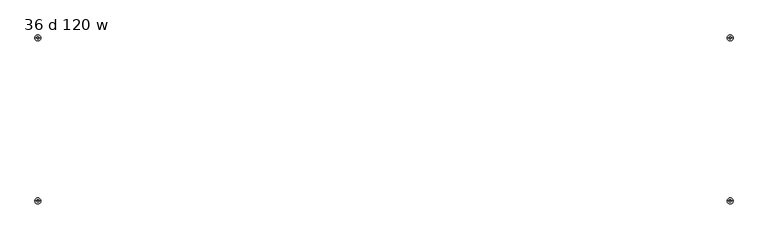
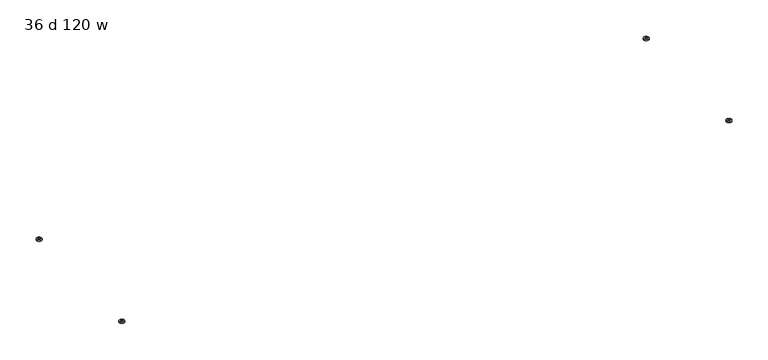
"""IFC4 building model written with IfcOpenShell, lengths in millimetres: furniture geometry, 36 d 120 w."""

from ifc_helpers import new_model, si_unit, point, frame, origin, place, context, project, spatial, circle_curve, ellipse_curve, trimmed, source, transform, mapped, element, save
from ifc_brep_helpers import plane_surface, cylinder_surface, revolved_surface, advanced_brep


def furniture_36_d_120_w_454df19e(model_context):
    return source(origin(), model_context, "Body", "AdvancedBrep", [
        advanced_brep(
        [(-1453.3322731, -343.6439953, 0.0), (-1458.4112333, -343.6439953, 0.0), (-1455.8717532, -343.6439953, 0.0), (-1443.174498, -343.6439953, 3.6684262), (-1468.5690084, -343.6439953, 3.6684262), (-1443.174498, -343.6439953, 7.8731999), (-1468.5690084, -343.6439953, 7.8731999), (-1451.1120222, -343.6439953, 7.8731999), (-1460.6314842, -343.6439953, 7.8731999), (-1451.1120222, -343.6439953, 12.2237497), (-1460.6314842, -343.6439953, 12.2237497), (-1455.8717532, -343.6439953, 12.2237497)],
        [
            (0, 1, circle_curve(frame((-1455.8717532, -343.6439953, 0.0), z_axis=(0.0, 0.0, -1.0), x_axis=(-1.0, 0.0, 0.0)), 2.5394801)),
            (1, 2),
            (2, 0),
            (1, 0, circle_curve(frame((-1455.8717532, -343.6439953, 0.0), z_axis=(0.0, 0.0, -1.0), x_axis=(-1.0, 0.0, 0.0)), 2.5394801)),
            (0, 3, circle_curve(frame((-1453.3322731, -343.6439953, 15.8975186), z_axis=(0.0, -1.0, 0.0), x_axis=(1.0, 0.0, 0.0)), 15.8975186)),
            (3, 4, circle_curve(frame((-1455.8717532, -343.6439953, 3.6684262), z_axis=(0.0, 0.0, -1.0), x_axis=(-1.0, 0.0, 0.0)), 12.6972552)),
            (4, 1, circle_curve(frame((-1458.4112333, -343.6439953, 15.8975186), z_axis=(0.0, -1.0, 0.0), x_axis=(-1.0, 0.0, 0.0)), 15.8975186)),
            (4, 3, circle_curve(frame((-1455.8717532, -343.6439953, 3.6684262), z_axis=(0.0, 0.0, -1.0), x_axis=(-1.0, 0.0, 0.0)), 12.6972552)),
            (3, 5),
            (5, 6, circle_curve(frame((-1455.8717532, -343.6439953, 7.8731999), z_axis=(0.0, 0.0, -1.0), x_axis=(-1.0, 0.0, 0.0)), 12.6972552)),
            (6, 4),
            (6, 5, circle_curve(frame((-1455.8717532, -343.6439953, 7.8731999), z_axis=(0.0, 0.0, -1.0), x_axis=(-1.0, 0.0, 0.0)), 12.6972552)),
            (5, 7),
            (7, 8, circle_curve(frame((-1455.8717532, -343.6439953, 7.8731999), z_axis=(0.0, 0.0, -1.0), x_axis=(-1.0, 0.0, 0.0)), 4.759731)),
            (8, 6),
            (8, 7, circle_curve(frame((-1455.8717532, -343.6439953, 7.8731999), z_axis=(0.0, 0.0, -1.0), x_axis=(-1.0, 0.0, 0.0)), 4.759731)),
            (7, 9),
            (9, 10, circle_curve(frame((-1455.8717532, -343.6439953, 12.2237497), z_axis=(0.0, 0.0, -1.0), x_axis=(-1.0, 0.0, 0.0)), 4.759731)),
            (10, 8),
            (10, 9, circle_curve(frame((-1455.8717532, -343.6439953, 12.2237497), z_axis=(0.0, 0.0, -1.0), x_axis=(-1.0, 0.0, 0.0)), 4.759731)),
            (9, 11),
            (11, 10),
        ],
        [
            plane_surface(frame((-1455.8717532, -343.6439953, 0.0), z_axis=(0.0, 0.0, -1.0), x_axis=(-1.0, 0.0, 0.0))),
            revolved_surface(trimmed(ellipse_curve(frame((-1458.4112333, -343.6439953, 15.8975186), z_axis=(0.0, 1.0, 0.0), x_axis=(-1.0, 0.0, 0.0)), 15.8975186, 15.8975186), [point((-1458.4112333, -343.6439953, 0.0))], [point((-1468.5690084, -343.6439953, 3.6684262))], True, "CARTESIAN"), (-1455.8717532, -343.6439953, 12.2237497), (0.0, 0.0, 1.0)),
            cylinder_surface(frame((-1455.8717532, -343.6439953, 12.2237497), z_axis=(0.0, 0.0, 1.0), x_axis=(-1.0, 0.0, 0.0)), 12.6972552),
            plane_surface(frame((-1455.8717532, -343.6439953, 7.8731999), z_axis=(0.0, 0.0, 1.0), x_axis=(-1.0, 0.0, 0.0))),
            cylinder_surface(frame((-1455.8717532, -343.6439953, 12.2237497), z_axis=(0.0, 0.0, 1.0), x_axis=(-1.0, 0.0, 0.0)), 4.759731),
            plane_surface(frame((-1455.8717532, -343.6439953, 12.2237497), z_axis=(0.0, 0.0, 1.0), x_axis=(-1.0, 0.0, 0.0))),
        ],
        [
            (0, [[1, 2, 3]]),
            (0, [[-2, 4, -3]]),
            (1, [[-1, 5, 6, 7]]),
            (1, [[-4, -7, 8, -5]]),
            (2, [[-6, 9, 10, 11]]),
            (2, [[-8, -11, 12, -9]]),
            (3, [[-10, 13, 14, 15]]),
            (3, [[-12, -15, 16, -13]]),
            (4, [[-14, 17, 18, 19]]),
            (4, [[-16, -19, 20, -17]]),
            (5, [[-18, 21, 22]]),
            (5, [[-20, -22, -21]]),
        ],
    ),
        advanced_brep(
        [(-1455.8717532, 343.6439953, 0.0), (-1458.4112333, 343.6439953, 0.0), (-1453.3322731, 343.6439953, 0.0), (-1468.5690084, 343.6439953, 3.6684262), (-1443.174498, 343.6439953, 3.6684262), (-1468.5690084, 343.6439953, 7.8731999), (-1443.174498, 343.6439953, 7.8731999), (-1460.6314842, 343.6439953, 7.8731999), (-1451.1120222, 343.6439953, 7.8731999), (-1460.6314842, 343.6439953, 12.2237497), (-1451.1120222, 343.6439953, 12.2237497), (-1455.8717532, 343.6439953, 12.2237497)],
        [
            (0, 1),
            (1, 2, circle_curve(frame((-1455.8717532, 343.6439953, 0.0), z_axis=(0.0, 0.0, -1.0), x_axis=(-1.0, 0.0, 0.0)), 2.5394801)),
            (2, 0),
            (2, 1, circle_curve(frame((-1455.8717532, 343.6439953, 0.0), z_axis=(0.0, 0.0, -1.0), x_axis=(-1.0, 0.0, 0.0)), 2.5394801)),
            (1, 3, circle_curve(frame((-1458.4112333, 343.6439953, 15.8975186), z_axis=(0.0, 1.0, 0.0), x_axis=(-1.0, 0.0, 0.0)), 15.8975186)),
            (3, 4, circle_curve(frame((-1455.8717532, 343.6439953, 3.6684262), z_axis=(0.0, 0.0, -1.0), x_axis=(-1.0, 0.0, 0.0)), 12.6972552)),
            (4, 2, circle_curve(frame((-1453.3322731, 343.6439953, 15.8975186), z_axis=(0.0, 1.0, 0.0), x_axis=(1.0, 0.0, 0.0)), 15.8975186)),
            (4, 3, circle_curve(frame((-1455.8717532, 343.6439953, 3.6684262), z_axis=(0.0, 0.0, -1.0), x_axis=(-1.0, 0.0, 0.0)), 12.6972552)),
            (3, 5),
            (5, 6, circle_curve(frame((-1455.8717532, 343.6439953, 7.8731999), z_axis=(0.0, 0.0, -1.0), x_axis=(-1.0, 0.0, 0.0)), 12.6972552)),
            (6, 4),
            (6, 5, circle_curve(frame((-1455.8717532, 343.6439953, 7.8731999), z_axis=(0.0, 0.0, -1.0), x_axis=(-1.0, 0.0, 0.0)), 12.6972552)),
            (5, 7),
            (7, 8, circle_curve(frame((-1455.8717532, 343.6439953, 7.8731999), z_axis=(0.0, 0.0, -1.0), x_axis=(-1.0, 0.0, 0.0)), 4.759731)),
            (8, 6),
            (8, 7, circle_curve(frame((-1455.8717532, 343.6439953, 7.8731999), z_axis=(0.0, 0.0, -1.0), x_axis=(-1.0, 0.0, 0.0)), 4.759731)),
            (7, 9),
            (9, 10, circle_curve(frame((-1455.8717532, 343.6439953, 12.2237497), z_axis=(0.0, 0.0, -1.0), x_axis=(-1.0, 0.0, 0.0)), 4.759731)),
            (10, 8),
            (10, 9, circle_curve(frame((-1455.8717532, 343.6439953, 12.2237497), z_axis=(0.0, 0.0, -1.0), x_axis=(-1.0, 0.0, 0.0)), 4.759731)),
            (9, 11),
            (11, 10),
        ],
        [
            plane_surface(frame((-1455.8717532, 343.6439953, 0.0), z_axis=(0.0, 0.0, -1.0), x_axis=(-1.0, 0.0, 0.0))),
            revolved_surface(trimmed(ellipse_curve(frame((-1458.4112333, 343.6439953, 15.8975186), z_axis=(0.0, -1.0, 0.0), x_axis=(-1.0, 0.0, 0.0)), 15.8975186, 15.8975186), [point((-1468.5690084, 343.6439953, 3.6684262))], [point((-1458.4112333, 343.6439953, 0.0))], True, "CARTESIAN"), (-1455.8717532, 343.6439953, 12.2237497), (0.0, 0.0, -1.0)),
            cylinder_surface(frame((-1455.8717532, 343.6439953, 12.2237497), z_axis=(0.0, 0.0, -1.0), x_axis=(-1.0, 0.0, 0.0)), 12.6972552),
            plane_surface(frame((-1455.8717532, 343.6439953, 7.8731999), z_axis=(0.0, 0.0, 1.0), x_axis=(-1.0, 0.0, 0.0))),
            cylinder_surface(frame((-1455.8717532, 343.6439953, 12.2237497), z_axis=(0.0, 0.0, -1.0), x_axis=(-1.0, 0.0, 0.0)), 4.759731),
            plane_surface(frame((-1455.8717532, 343.6439953, 12.2237497), z_axis=(0.0, 0.0, 1.0), x_axis=(-1.0, 0.0, 0.0))),
        ],
        [
            (0, [[1, 2, 3]]),
            (0, [[-1, -3, 4]]),
            (1, [[-2, 5, 6, 7]]),
            (1, [[-4, -7, 8, -5]]),
            (2, [[-6, 9, 10, 11]]),
            (2, [[-8, -11, 12, -9]]),
            (3, [[-10, 13, 14, 15]]),
            (3, [[-12, -15, 16, -13]]),
            (4, [[-14, 17, 18, 19]]),
            (4, [[-16, -19, 20, -17]]),
            (5, [[-18, 21, 22]]),
            (5, [[-20, -22, -21]]),
        ],
    ),
        advanced_brep(
        [(1455.8717532, -343.6439953, 0.0), (1458.4112333, -343.6439953, 0.0), (1453.3322731, -343.6439953, 0.0), (1468.5690084, -343.6439953, 3.6684262), (1443.174498, -343.6439953, 3.6684262), (1468.5690084, -343.6439953, 7.8731999), (1443.174498, -343.6439953, 7.8731999), (1460.6314842, -343.6439953, 7.8731999), (1451.1120222, -343.6439953, 7.8731999), (1460.6314842, -343.6439953, 12.2237497), (1451.1120222, -343.6439953, 12.2237497), (1455.8717532, -343.6439953, 12.2237497)],
        [
            (0, 1),
            (1, 2, circle_curve(frame((1455.8717532, -343.6439953, 0.0), z_axis=(0.0, 0.0, -1.0), x_axis=(1.0, 0.0, 0.0)), 2.5394801)),
            (2, 0),
            (2, 1, circle_curve(frame((1455.8717532, -343.6439953, 0.0), z_axis=(0.0, 0.0, -1.0), x_axis=(1.0, 0.0, 0.0)), 2.5394801)),
            (1, 3, circle_curve(frame((1458.4112333, -343.6439953, 15.8975186), z_axis=(0.0, -1.0, 0.0), x_axis=(-1.0, 0.0, 0.0)), 15.8975186)),
            (3, 4, circle_curve(frame((1455.8717532, -343.6439953, 3.6684262), z_axis=(0.0, 0.0, -1.0), x_axis=(1.0, 0.0, 0.0)), 12.6972552)),
            (4, 2, circle_curve(frame((1453.3322731, -343.6439953, 15.8975186), z_axis=(0.0, -1.0, 0.0), x_axis=(1.0, 0.0, 0.0)), 15.8975186)),
            (4, 3, circle_curve(frame((1455.8717532, -343.6439953, 3.6684262), z_axis=(0.0, 0.0, -1.0), x_axis=(1.0, 0.0, 0.0)), 12.6972552)),
            (3, 5),
            (5, 6, circle_curve(frame((1455.8717532, -343.6439953, 7.8731999), z_axis=(0.0, 0.0, -1.0), x_axis=(1.0, 0.0, 0.0)), 12.6972552)),
            (6, 4),
            (6, 5, circle_curve(frame((1455.8717532, -343.6439953, 7.8731999), z_axis=(0.0, 0.0, -1.0), x_axis=(1.0, 0.0, 0.0)), 12.6972552)),
            (5, 7),
            (7, 8, circle_curve(frame((1455.8717532, -343.6439953, 7.8731999), z_axis=(0.0, 0.0, -1.0), x_axis=(1.0, 0.0, 0.0)), 4.759731)),
            (8, 6),
            (8, 7, circle_curve(frame((1455.8717532, -343.6439953, 7.8731999), z_axis=(0.0, 0.0, -1.0), x_axis=(1.0, 0.0, 0.0)), 4.759731)),
            (7, 9),
            (9, 10, circle_curve(frame((1455.8717532, -343.6439953, 12.2237497), z_axis=(0.0, 0.0, -1.0), x_axis=(1.0, 0.0, 0.0)), 4.759731)),
            (10, 8),
            (10, 9, circle_curve(frame((1455.8717532, -343.6439953, 12.2237497), z_axis=(0.0, 0.0, -1.0), x_axis=(1.0, 0.0, 0.0)), 4.759731)),
            (9, 11),
            (11, 10),
        ],
        [
            plane_surface(frame((1455.8717532, -343.6439953, 0.0), z_axis=(0.0, 0.0, -1.0), x_axis=(1.0, 0.0, 0.0))),
            revolved_surface(trimmed(ellipse_curve(frame((1458.4112333, -343.6439953, 15.8975186), z_axis=(0.0, 1.0, 0.0), x_axis=(-1.0, 0.0, 0.0)), 15.8975186, 15.8975186), [point((1468.5690084, -343.6439953, 3.6684262))], [point((1458.4112333, -343.6439953, 0.0))], True, "CARTESIAN"), (1455.8717532, -343.6439953, 12.2237497), (0.0, 0.0, -1.0)),
            cylinder_surface(frame((1455.8717532, -343.6439953, 12.2237497), z_axis=(0.0, 0.0, -1.0), x_axis=(1.0, 0.0, 0.0)), 12.6972552),
            plane_surface(frame((1455.8717532, -343.6439953, 7.8731999), z_axis=(0.0, 0.0, 1.0), x_axis=(1.0, 0.0, 0.0))),
            cylinder_surface(frame((1455.8717532, -343.6439953, 12.2237497), z_axis=(0.0, 0.0, -1.0), x_axis=(1.0, 0.0, 0.0)), 4.759731),
            plane_surface(frame((1455.8717532, -343.6439953, 12.2237497), z_axis=(0.0, 0.0, 1.0), x_axis=(1.0, 0.0, 0.0))),
        ],
        [
            (0, [[1, 2, 3]]),
            (0, [[-1, -3, 4]]),
            (1, [[-2, 5, 6, 7]]),
            (1, [[-4, -7, 8, -5]]),
            (2, [[-6, 9, 10, 11]]),
            (2, [[-8, -11, 12, -9]]),
            (3, [[-10, 13, 14, 15]]),
            (3, [[-12, -15, 16, -13]]),
            (4, [[-14, 17, 18, 19]]),
            (4, [[-16, -19, 20, -17]]),
            (5, [[-18, 21, 22]]),
            (5, [[-20, -22, -21]]),
        ],
    ),
        advanced_brep(
        [(1453.3322731, 343.6439953, 0.0), (1458.4112333, 343.6439953, 0.0), (1455.8717532, 343.6439953, 0.0), (1443.174498, 343.6439953, 3.6684262), (1468.5690084, 343.6439953, 3.6684262), (1443.174498, 343.6439953, 7.8731999), (1468.5690084, 343.6439953, 7.8731999), (1451.1120222, 343.6439953, 7.8731999), (1460.6314842, 343.6439953, 7.8731999), (1451.1120222, 343.6439953, 12.2237497), (1460.6314842, 343.6439953, 12.2237497), (1455.8717532, 343.6439953, 12.2237497)],
        [
            (0, 1, circle_curve(frame((1455.8717532, 343.6439953, 0.0), z_axis=(0.0, 0.0, -1.0), x_axis=(1.0, 0.0, 0.0)), 2.5394801)),
            (1, 2),
            (2, 0),
            (1, 0, circle_curve(frame((1455.8717532, 343.6439953, 0.0), z_axis=(0.0, 0.0, -1.0), x_axis=(1.0, 0.0, 0.0)), 2.5394801)),
            (0, 3, circle_curve(frame((1453.3322731, 343.6439953, 15.8975186), z_axis=(0.0, 1.0, 0.0), x_axis=(1.0, 0.0, 0.0)), 15.8975186)),
            (3, 4, circle_curve(frame((1455.8717532, 343.6439953, 3.6684262), z_axis=(0.0, 0.0, -1.0), x_axis=(1.0, 0.0, 0.0)), 12.6972552)),
            (4, 1, circle_curve(frame((1458.4112333, 343.6439953, 15.8975186), z_axis=(0.0, 1.0, 0.0), x_axis=(-1.0, 0.0, 0.0)), 15.8975186)),
            (4, 3, circle_curve(frame((1455.8717532, 343.6439953, 3.6684262), z_axis=(0.0, 0.0, -1.0), x_axis=(1.0, 0.0, 0.0)), 12.6972552)),
            (3, 5),
            (5, 6, circle_curve(frame((1455.8717532, 343.6439953, 7.8731999), z_axis=(0.0, 0.0, -1.0), x_axis=(1.0, 0.0, 0.0)), 12.6972552)),
            (6, 4),
            (6, 5, circle_curve(frame((1455.8717532, 343.6439953, 7.8731999), z_axis=(0.0, 0.0, -1.0), x_axis=(1.0, 0.0, 0.0)), 12.6972552)),
            (5, 7),
            (7, 8, circle_curve(frame((1455.8717532, 343.6439953, 7.8731999), z_axis=(0.0, 0.0, -1.0), x_axis=(1.0, 0.0, 0.0)), 4.759731)),
            (8, 6),
            (8, 7, circle_curve(frame((1455.8717532, 343.6439953, 7.8731999), z_axis=(0.0, 0.0, -1.0), x_axis=(1.0, 0.0, 0.0)), 4.759731)),
            (7, 9),
            (9, 10, circle_curve(frame((1455.8717532, 343.6439953, 12.2237497), z_axis=(0.0, 0.0, -1.0), x_axis=(1.0, 0.0, 0.0)), 4.759731)),
            (10, 8),
            (10, 9, circle_curve(frame((1455.8717532, 343.6439953, 12.2237497), z_axis=(0.0, 0.0, -1.0), x_axis=(1.0, 0.0, 0.0)), 4.759731)),
            (9, 11),
            (11, 10),
        ],
        [
            plane_surface(frame((1455.8717532, 343.6439953, 0.0), z_axis=(0.0, 0.0, -1.0), x_axis=(1.0, 0.0, 0.0))),
            revolved_surface(trimmed(ellipse_curve(frame((1458.4112333, 343.6439953, 15.8975186), z_axis=(0.0, -1.0, 0.0), x_axis=(-1.0, 0.0, 0.0)), 15.8975186, 15.8975186), [point((1458.4112333, 343.6439953, 0.0))], [point((1468.5690084, 343.6439953, 3.6684262))], True, "CARTESIAN"), (1455.8717532, 343.6439953, 12.2237497), (0.0, 0.0, 1.0)),
            cylinder_surface(frame((1455.8717532, 343.6439953, 12.2237497), z_axis=(0.0, 0.0, 1.0), x_axis=(1.0, 0.0, 0.0)), 12.6972552),
            plane_surface(frame((1455.8717532, 343.6439953, 7.8731999), z_axis=(0.0, 0.0, 1.0), x_axis=(1.0, 0.0, 0.0))),
            cylinder_surface(frame((1455.8717532, 343.6439953, 12.2237497), z_axis=(0.0, 0.0, 1.0), x_axis=(1.0, 0.0, 0.0)), 4.759731),
            plane_surface(frame((1455.8717532, 343.6439953, 12.2237497), z_axis=(0.0, 0.0, 1.0), x_axis=(1.0, 0.0, 0.0))),
        ],
        [
            (0, [[1, 2, 3]]),
            (0, [[-2, 4, -3]]),
            (1, [[-1, 5, 6, 7]]),
            (1, [[-4, -7, 8, -5]]),
            (2, [[-6, 9, 10, 11]]),
            (2, [[-8, -11, 12, -9]]),
            (3, [[-10, 13, 14, 15]]),
            (3, [[-12, -15, 16, -13]]),
            (4, [[-14, 17, 18, 19]]),
            (4, [[-16, -19, 20, -17]]),
            (5, [[-18, 21, 22]]),
            (5, [[-20, -22, -21]]),
        ],
    ),
    ])


if __name__ == "__main__":
    model = new_model("IFC4")
    model_context = context("Model", 3, world=origin())
    ifc_project = project(units=[si_unit("LENGTHUNIT", "METRE", prefix="MILLI")], contexts=[model_context])
    site = spatial("IfcSite", under=ifc_project)
    building = spatial("IfcBuilding", under=site)
    placement = place(None, origin())
    furniture_36_d_120_w_shape = furniture_36_d_120_w_454df19e(model_context)
    element("IfcFurniture", 1, ObjectType="36 d 120 w", at=placement, inside=building, context=model_context, shape_type="MappedRepresentation", body=[
        mapped(furniture_36_d_120_w_shape, transform((0.0, 0.0, 0.0), x_axis=(1.0, 0.0, 0.0), y_axis=(0.0, 1.0, 0.0), z_axis=(0.0, 0.0, 1.0))),
    ])
    save(model, "model.ifc")
